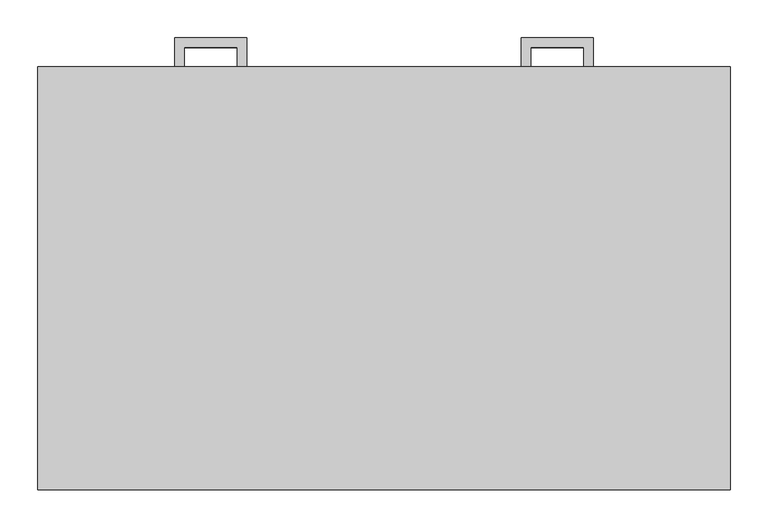
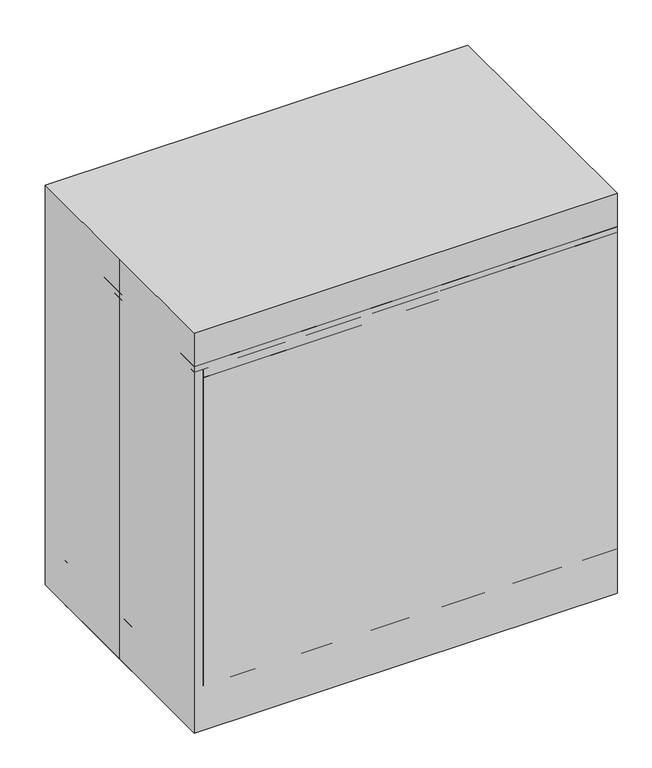
"""IFC4 building model written with IfcOpenShell, lengths in millimetres: proxy geometry."""

from ifc_helpers import new_model, si_unit, frame, origin, origin_with_axes, place, context, project, spatial, polyline, outline, extrude, source, transform, mapped, element, save


def specialty_equipment_d4419631(model_context):
    return source(origin(), model_context, "Body", "SweptSolid", [
        extrude(outline(polyline([(-180.975, 317.5), (-180.975, 279.4), (-193.6590701, 279.4), (-193.6590701, 304.8159299), (-263.5409299, 304.8159299), (-263.5409299, 279.4), (-276.225, 279.4), (-276.225, 317.5), (-180.975, 317.5)])), frame((0.0, 0.0, 379.4125), z_axis=(0.0, 0.0, 1.0), x_axis=(1.0, 0.0, 0.0)), (0.0, 0.0, 1.0), 12.7),
        extrude(outline(polyline([(-180.975, 317.5), (-180.975, 279.4), (-193.6590701, 279.4), (-193.6590701, 304.8159299), (-263.5409299, 304.8159299), (-263.5409299, 279.4), (-276.225, 279.4), (-276.225, 317.5), (-180.975, 317.5)])), frame((0.0, 0.0, 560.3793692), z_axis=(0.0, 0.0, 1.0), x_axis=(1.0, 0.0, 0.0)), (0.0, 0.0, 1.0), 12.7),
        extrude(outline(polyline([(-180.975, 317.5), (-180.975, 279.4), (-193.6590701, 279.4), (-193.6590701, 304.8159299), (-263.5409299, 304.8159299), (-263.5409299, 279.4), (-276.225, 279.4), (-276.225, 317.5), (-180.975, 317.5)])), frame((0.0, 0.0, 182.5787617), z_axis=(0.0, 0.0, 1.0), x_axis=(1.0, 0.0, 0.0)), (0.0, 0.0, 1.0), 12.7),
        extrude(outline(polyline([(-180.975, 317.5), (-180.975, 279.4), (-193.6590701, 279.4), (-193.6590701, 304.8159299), (-263.5409299, 304.8159299), (-263.5409299, 279.4), (-276.225, 279.4), (-276.225, 317.5), (-180.975, 317.5)])), frame((0.0, 0.0, 741.3462383), z_axis=(0.0, 0.0, 1.0), x_axis=(1.0, 0.0, 0.0)), (0.0, 0.0, 1.0), 12.7),
        extrude(outline(polyline([(180.975, 317.5), (276.225, 317.5), (276.225, 279.4), (263.5409299, 279.4), (263.5409299, 304.8159299), (193.6590701, 304.8159299), (193.6590701, 279.4), (180.975, 279.4), (180.975, 317.5)])), frame((0.0, 0.0, 379.4125), z_axis=(0.0, 0.0, 1.0), x_axis=(1.0, 0.0, 0.0)), (0.0, 0.0, 1.0), 12.7),
        extrude(outline(polyline([(180.975, 317.5), (276.225, 317.5), (276.225, 279.4), (263.5409299, 279.4), (263.5409299, 304.8159299), (193.6590701, 304.8159299), (193.6590701, 279.4), (180.975, 279.4), (180.975, 317.5)])), frame((0.0, 0.0, 560.3793692), z_axis=(0.0, 0.0, 1.0), x_axis=(1.0, 0.0, 0.0)), (0.0, 0.0, 1.0), 12.7),
        extrude(outline(polyline([(180.975, 317.5), (276.225, 317.5), (276.225, 279.4), (263.5409299, 279.4), (263.5409299, 304.8159299), (193.6590701, 304.8159299), (193.6590701, 279.4), (180.975, 279.4), (180.975, 317.5)])), frame((0.0, 0.0, 182.5787617), z_axis=(0.0, 0.0, 1.0), x_axis=(1.0, 0.0, 0.0)), (0.0, 0.0, 1.0), 12.7),
        extrude(outline(polyline([(180.975, 317.5), (276.225, 317.5), (276.225, 279.4), (263.5409299, 279.4), (263.5409299, 304.8159299), (193.6590701, 304.8159299), (193.6590701, 279.4), (180.975, 279.4), (180.975, 317.5)])), frame((0.0, 0.0, 741.3462383), z_axis=(0.0, 0.0, 1.0), x_axis=(1.0, 0.0, 0.0)), (0.0, 0.0, 1.0), 12.7),
        extrude(outline(polyline([(-457.2, -279.4), (-457.2, 0.0), (-457.2, 279.4), (457.2, 279.4), (457.2, -279.4), (-457.2, -279.4)])), origin_with_axes(), (0.0, 0.0, 1.0), 914.4),
        extrude(outline(polyline([(438.15, -279.4), (-438.15, -279.4), (-438.15, 260.35), (438.15, 260.35), (438.15, -279.4)])), frame((0.0, 0.0, 120.7166954), z_axis=(0.0, 0.0, 1.0), x_axis=(1.0, 0.0, 0.0)), (0.0, 0.0, 1.0), 704.7507813),
        extrude(outline(polyline([(-3.175, 279.4), (-3.175, 260.35), (-454.025, 260.35), (-454.025, 279.4), (-3.175, 279.4)])), frame((0.0, 0.0, 285.7418692), z_axis=(0.0, 0.0, 1.0), x_axis=(1.0, 0.0, 0.0)), (0.0, 0.0, 1.0), 174.6168692),
        extrude(outline(polyline([(-3.175, 279.4), (-3.175, 260.35), (-454.025, 260.35), (-454.025, 279.4), (-3.175, 279.4)])), frame((0.0, 0.0, 466.7087383), z_axis=(0.0, 0.0, 1.0), x_axis=(1.0, 0.0, 0.0)), (0.0, 0.0, 1.0), 174.6168692),
        extrude(outline(polyline([(-3.175, 279.4), (-3.175, 260.35), (-454.025, 260.35), (-454.025, 279.4), (-3.175, 279.4)])), frame((0.0, 0.0, 101.6), z_axis=(0.0, 0.0, 1.0), x_axis=(1.0, 0.0, 0.0)), (0.0, 0.0, 1.0), 177.7918692),
        extrude(outline(polyline([(-438.15, -279.4), (-457.2, -279.4), (-457.2, 260.35), (-438.15, 260.35), (-438.15, -279.4)])), frame((0.0, 0.0, 101.6), z_axis=(0.0, 0.0, 1.0), x_axis=(1.0, 0.0, 0.0)), (0.0, 0.0, 1.0), 723.8674767),
        extrude(outline(polyline([(-3.175, 279.4), (-3.175, 260.35), (-454.025, 260.35), (-454.025, 279.4), (-3.175, 279.4)])), frame((0.0, 0.0, 647.6756075), z_axis=(0.0, 0.0, 1.0), x_axis=(1.0, 0.0, 0.0)), (0.0, 0.0, 1.0), 177.7918692),
        extrude(outline(polyline([(454.025, 279.4), (454.025, 260.35), (3.175, 260.35), (3.175, 279.4), (454.025, 279.4)])), frame((0.0, 0.0, 285.7418692), z_axis=(0.0, 0.0, 1.0), x_axis=(1.0, 0.0, 0.0)), (0.0, 0.0, 1.0), 174.6168692),
        extrude(outline(polyline([(454.025, 279.4), (454.025, 260.35), (3.175, 260.35), (3.175, 279.4), (454.025, 279.4)])), frame((0.0, 0.0, 466.7087383), z_axis=(0.0, 0.0, 1.0), x_axis=(1.0, 0.0, 0.0)), (0.0, 0.0, 1.0), 174.6168692),
        extrude(outline(polyline([(454.025, 279.4), (454.025, 260.35), (3.175, 260.35), (3.175, 279.4), (454.025, 279.4)])), frame((0.0, 0.0, 101.6), z_axis=(0.0, 0.0, 1.0), x_axis=(1.0, 0.0, 0.0)), (0.0, 0.0, 1.0), 177.7918692),
        extrude(outline(polyline([(-457.2, 184.15), (-438.15, 184.15), (-438.15, -279.4), (-457.2, -279.4), (-457.2, 184.15)])), origin_with_axes(), (0.0, 0.0, 1.0), 101.6),
        extrude(outline(polyline([(438.15, 184.15), (457.2, 184.15), (457.2, -279.4), (438.15, -279.4), (438.15, 184.15)])), origin_with_axes(), (0.0, 0.0, 1.0), 101.6),
        extrude(outline(polyline([(438.15, 260.35), (457.2, 260.35), (457.2, -279.4), (438.15, -279.4), (438.15, 260.35)])), frame((0.0, 0.0, 101.6), z_axis=(0.0, 0.0, 1.0), x_axis=(1.0, 0.0, 0.0)), (0.0, 0.0, 1.0), 723.8674767),
        extrude(outline(polyline([(-457.2, 260.35), (-438.15, 260.35), (-438.15, -279.4), (-457.2, -279.4), (-457.2, 260.35)])), frame((0.0, 0.0, 101.6), z_axis=(0.0, 0.0, 1.0), x_axis=(1.0, 0.0, 0.0)), (0.0, 0.0, 1.0), 723.8674767),
        extrude(outline(polyline([(454.025, 279.4), (454.025, 260.35), (3.175, 260.35), (3.175, 279.4), (454.025, 279.4)])), frame((0.0, 0.0, 647.6756075), z_axis=(0.0, 0.0, 1.0), x_axis=(1.0, 0.0, 0.0)), (0.0, 0.0, 1.0), 177.7918692),
        extrude(outline(polyline([(457.2, -279.4), (-457.2, -279.4), (-457.2, 260.35), (457.2, 260.35), (457.2, -279.4)])), frame((0.0, 0.0, 825.4674767), z_axis=(0.0, 0.0, 1.0), x_axis=(1.0, 0.0, 0.0)), (0.0, 0.0, 1.0), 12.7325233),
        extrude(outline(polyline([(457.2, 203.2), (457.2, 184.15), (-457.2, 184.15), (-457.2, 203.2), (457.2, 203.2)])), origin_with_axes(), (0.0, 0.0, 1.0), 101.6),
        extrude(outline(polyline([(457.2, -260.35), (457.2, -279.4), (-457.2, -279.4), (-457.2, -260.35), (457.2, -260.35)])), origin_with_axes(), (0.0, 0.0, 1.0), 101.6),
        extrude(outline(polyline([(438.15, -260.35), (-438.15, -260.35), (-438.15, 260.35), (438.15, 260.35), (438.15, -260.35)])), frame((0.0, 0.0, 101.6), z_axis=(0.0, 0.0, 1.0), x_axis=(1.0, 0.0, 0.0)), (0.0, 0.0, 1.0), 19.1166954),
        extrude(outline(polyline([(438.15, -260.35), (438.15, -279.4), (-438.15, -279.4), (-438.15, -260.35), (438.15, -260.35)])), frame((0.0, 0.0, 101.6), z_axis=(0.0, 0.0, 1.0), x_axis=(1.0, 0.0, 0.0)), (0.0, 0.0, 1.0), 704.8174767),
    ])


if __name__ == "__main__":
    model = new_model("IFC4")
    model_context = context("Model", 3, world=origin())
    ifc_project = project(units=[si_unit("LENGTHUNIT", "METRE", prefix="MILLI")], contexts=[model_context])
    site = spatial("IfcSite", under=ifc_project)
    building = spatial("IfcBuilding", under=site)
    placement = place(None, origin())
    specialty_equipment_shape = specialty_equipment_d4419631(model_context)
    element("IfcBuildingElementProxy", 1, Name="Specialty Equipment", at=placement, inside=building, context=model_context, shape_type="MappedRepresentation", body=[
        mapped(specialty_equipment_shape, transform((0.0, 0.0, 0.0), x_axis=(1.0, 0.0, 0.0), y_axis=(0.0, 1.0, 0.0), z_axis=(0.0, 0.0, 1.0))),
    ])
    save(model, "model.ifc")
